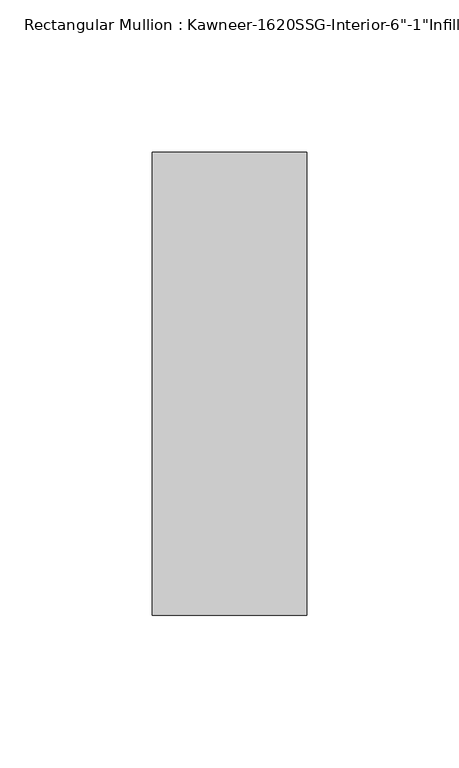
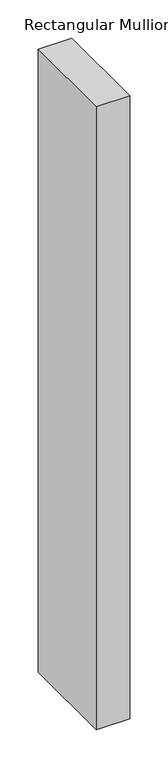
"""IFC4 building model written with IfcOpenShell, lengths in millimetres: member geometry."""

from ifc_helpers import new_model, si_unit, frame, origin, place, context, project, spatial, polyline, outline, extrude, source, transform, mapped, element, save


def member_7d0b9a49(model_context):
    return source(origin(), model_context, "Body", "SweptSolid", [
        extrude(outline(polyline([(25.4, -114.3), (-25.4, -114.3), (-25.4, 38.1), (25.4, 38.1), (25.4, -114.3)])), frame((0.0, 0.0, -996.8565367), z_axis=(0.0, 0.0, 1.0), x_axis=(1.0, 0.0, 0.0)), (0.0, 0.0, 1.0), 996.8565367),
    ])


if __name__ == "__main__":
    model = new_model("IFC4")
    model_context = context("Model", 3, world=origin())
    ifc_project = project(units=[si_unit("LENGTHUNIT", "METRE", prefix="MILLI")], contexts=[model_context])
    site = spatial("IfcSite", under=ifc_project)
    building = spatial("IfcBuilding", under=site)
    placement = place(None, origin())
    member_shape = member_7d0b9a49(model_context)
    element("IfcMember", 1, ObjectType="Rectangular Mullion : Kawneer-1620SSG-Interior-6\"-1\"Infill", at=placement, inside=building, context=model_context, shape_type="MappedRepresentation", body=[
        mapped(member_shape, transform((0.0, 0.0, 0.0), x_axis=(1.0, 0.0, 0.0), y_axis=(0.0, 1.0, 0.0), z_axis=(0.0, 0.0, 1.0))),
    ])
    save(model, "model.ifc")
